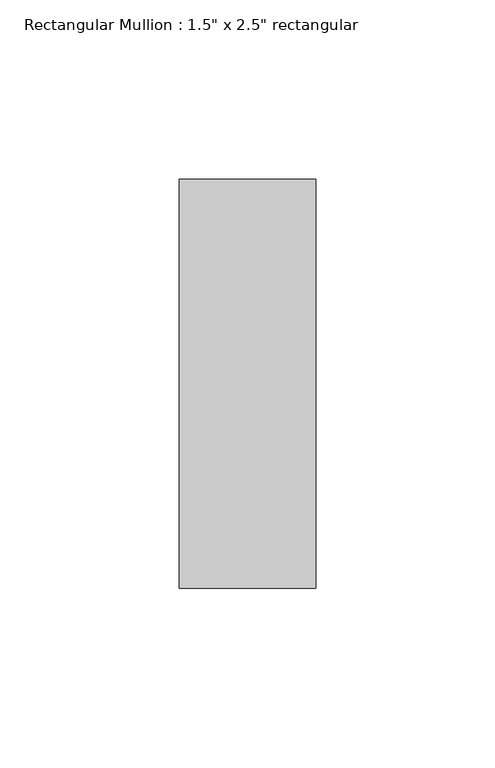
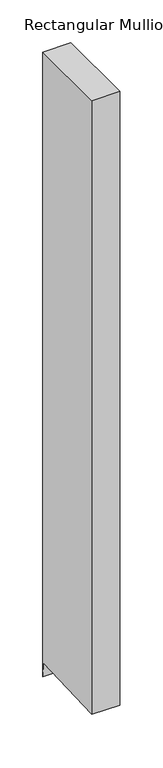
"""IFC4 building model written with IfcOpenShell, lengths in millimetres: member geometry."""

from ifc_helpers import new_model, si_unit, frame, origin, place, context, project, spatial, polyline, outline, extrude, source, transform, mapped, element, save


def member_11093bfb(model_context):
    return source(origin(), model_context, "Body", "SweptSolid", [
        extrude(outline(polyline([(-57.15, 0.0), (57.15, 0.0), (57.15, -891.3162314), (56.2646565, -871.0385322), (-57.15, -875.9903231), (-57.15, 0.0)])), frame((-38.1, 0.0, 0.0), z_axis=(1.0, 0.0, 0.0), x_axis=(0.0, 1.0, 0.0)), (0.0, 0.0, 1.0), 38.1),
    ])


if __name__ == "__main__":
    model = new_model("IFC4")
    model_context = context("Model", 3, world=origin())
    ifc_project = project(units=[si_unit("LENGTHUNIT", "METRE", prefix="MILLI")], contexts=[model_context])
    site = spatial("IfcSite", under=ifc_project)
    building = spatial("IfcBuilding", under=site)
    placement = place(None, origin())
    member_shape = member_11093bfb(model_context)
    element("IfcMember", 1, ObjectType="Rectangular Mullion : 1.5\" x 2.5\" rectangular", at=placement, inside=building, context=model_context, shape_type="MappedRepresentation", body=[
        mapped(member_shape, transform((0.0, 0.0, 0.0), x_axis=(1.0, 0.0, 0.0), y_axis=(0.0, 1.0, 0.0), z_axis=(0.0, 0.0, 1.0))),
    ])
    save(model, "model.ifc")
